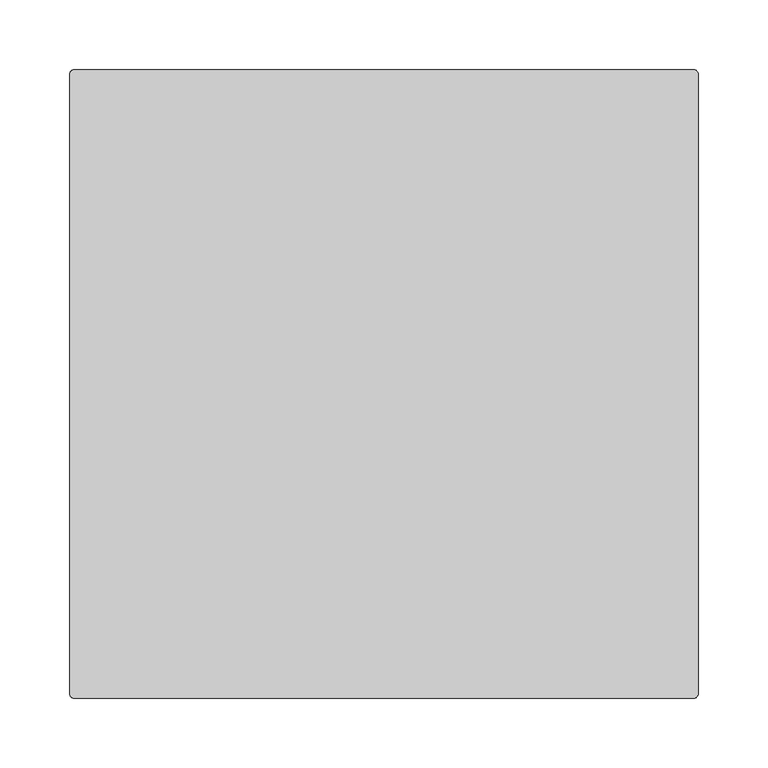
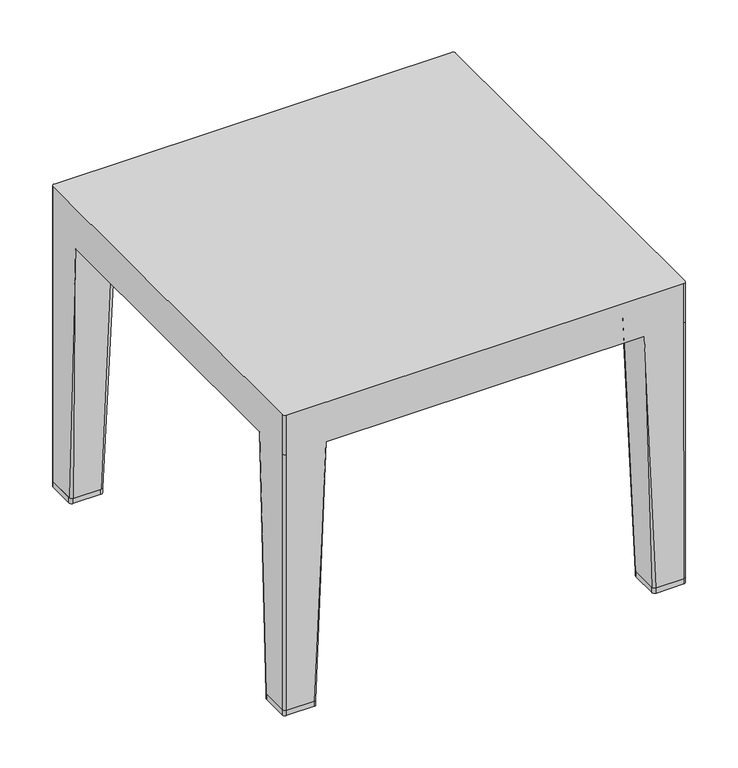
"""IFC4 building model written with IfcOpenShell, lengths in millimetres: furniture geometry."""

from ifc_helpers import new_model, si_unit, point, frame, frame_2d, origin, origin_with_axes, place, context, project, spatial, polyline, circle_curve, trimmed, segment, composite_curve, outline, extrude, source, transform, mapped, element, save
from ifc_brep_helpers import plane_surface, cylinder_surface, spline_surface, advanced_brep


def furniture_90bd503e(model_context):
    return source(origin(), model_context, "Body", "SolidModel", [
        advanced_brep(
        [(-225.425, -229.4549408, 6.3500002), (-228.6, -226.2799408, 6.3500002), (-228.6, -195.5083511, 6.3500002), (-225.4558826, -192.3642337, 6.3500002), (-194.680475, -192.3642337, 6.3500002), (-191.5466941, -195.4980146, 6.3500002), (-191.5466941, -226.2799408, 6.3500002), (-194.7216941, -229.4549408, 6.3500002), (-181.358744, -229.4549408, 308.4710938), (175.008744, -229.4549408, 308.4710938), (188.3716941, -229.4549408, 6.3500002), (219.075, -229.4549408, 6.3500002), (219.0370244, -229.4549408, 308.4710938), (219.0370244, -229.4549408, 355.6), (-225.425, -229.4549408, 355.6), (-225.425, -229.4549408, 308.4710938), (-181.358744, -188.5262836, 308.4710938), (-228.6, -182.1762836, 308.4710938), (-187.708744, -182.1762836, 308.4710938), (-228.6, -226.2799408, 308.4710938), (-228.6, -226.2799408, 355.6), (-228.6, 218.2032167, 355.6), (-228.6, 218.2032167, 308.4710938), (-228.6, 218.2200592, 6.3500002), (-228.6, 187.4484695, 6.3500002), (-228.6, 174.116402, 308.4710938), (185.1966941, -226.2799408, 6.3500002), (185.1966941, -195.4980146, 6.3500002), (188.330475, -192.3642337, 6.3500002), (219.1058826, -192.3642337, 6.3500002), (222.25, -195.5083511, 6.3500002), (222.25, -226.2799408, 6.3500002), (175.008744, -188.5262836, 308.4710938), (181.358744, -182.1762836, 308.4710938), (222.25, -182.1762836, 308.4710938), (222.25, 174.116402, 308.4710938), (222.25, 187.4484695, 6.3500002), (222.25, 218.2200592, 6.3500002), (222.25, 218.1743066, 308.4710938), (222.25, 218.1743066, 355.6), (222.25, -226.2419652, 355.6), (222.25, -226.2419652, 308.4710938), (219.075, 221.3950592, 6.3500002), (219.1058826, 184.3043521, 6.3500002), (188.330475, 184.3043521, 6.3500002), (185.1966941, 187.438133, 6.3500002), (185.1966941, 218.2200592, 6.3500002), (188.3716941, 221.3950592, 6.3500002), (175.008744, 221.3950592, 308.4710938), (-181.358744, 221.3950592, 308.4710938), (-194.7216941, 221.3950592, 6.3500002), (-225.425, 221.3950592, 6.3500002), (-225.4081575, 221.3950592, 308.4710938), (-225.4081575, 221.3950592, 355.6), (219.0292474, 221.3950592, 355.6), (219.0292474, 221.3950592, 308.4710938), (175.008744, 180.466402, 308.4710938), (181.358744, 174.116402, 308.4710938), (-191.5466941, 218.2200592, 6.3500002), (-191.5466941, 187.438133, 6.3500002), (-194.680475, 184.3043521, 6.3500002), (-225.4558826, 184.3043521, 6.3500002), (-181.358744, 180.466402, 308.4710938), (-187.708744, 174.116402, 308.4710938)],
        [
            (0, 1, circle_curve(frame((-225.425, -226.2799408, 6.3500002), z_axis=(0.0, 0.0, -1.0), x_axis=(0.0, -1.0, 0.0)), 3.175)),
            (1, 2),
            (2, 3, circle_curve(frame((-225.4558826, -195.5083511, 6.3500002), z_axis=(0.0, 0.0, -1.0), x_axis=(-1.0, 0.0, 0.0)), 3.1441174)),
            (3, 4),
            (4, 5, circle_curve(frame((-194.680475, -195.4980146, 6.3500002), z_axis=(0.0, 0.0, -1.0), x_axis=(-1.0, 0.0, 0.0)), 3.1337809)),
            (5, 6),
            (6, 7, circle_curve(frame((-194.7216941, -226.2799408, 6.3500002), z_axis=(0.0, 0.0, -1.0), x_axis=(-1.0, 0.0, 0.0)), 3.175)),
            (7, 0),
            (7, 8),
            (8, 9),
            (9, 10),
            (10, 11),
            (11, 12),
            (12, 13),
            (13, 14),
            (14, 15),
            (15, 0),
            (5, 16),
            (16, 8),
            (8, 6),
            (3, 17),
            (17, 18),
            (18, 4),
            (1, 19),
            (19, 20),
            (20, 21),
            (21, 22),
            (22, 23),
            (23, 24),
            (24, 25),
            (25, 17),
            (17, 2),
            (18, 16, circle_curve(frame((-187.708744, -188.5262836, 308.4710938), z_axis=(0.0, 0.0, -1.0), x_axis=(-1.0, 0.0, 0.0)), 6.35)),
            (15, 19, circle_curve(frame((-225.425, -226.2799408, 308.4710937), z_axis=(0.0, 0.0, -1.0), x_axis=(0.0, -1.0, 0.0)), 3.175)),
            (10, 26, circle_curve(frame((188.3716941, -226.2799408, 6.3500002), z_axis=(0.0, 0.0, -1.0), x_axis=(1.0, 0.0, 0.0)), 3.175)),
            (26, 27),
            (27, 28, circle_curve(frame((188.330475, -195.4980146, 6.3500002), z_axis=(0.0, 0.0, -1.0), x_axis=(1.0, 0.0, 0.0)), 3.1337809)),
            (28, 29),
            (29, 30, circle_curve(frame((219.1058826, -195.5083511, 6.3500002), z_axis=(0.0, 0.0, -1.0), x_axis=(1.0, 0.0, 0.0)), 3.1441174)),
            (30, 31),
            (31, 11, circle_curve(frame((219.075, -226.2799408, 6.3500002), z_axis=(0.0, 0.0, -1.0), x_axis=(1.0, 0.0, 0.0)), 3.175)),
            (26, 9),
            (9, 32),
            (32, 27),
            (28, 33),
            (33, 34),
            (34, 29),
            (30, 34),
            (34, 35),
            (35, 36),
            (36, 37),
            (37, 38),
            (38, 39),
            (39, 40),
            (40, 41),
            (41, 31),
            (32, 33, circle_curve(frame((181.358744, -188.5262836, 308.4710938), z_axis=(0.0, 0.0, -1.0), x_axis=(1.0, 0.0, 0.0)), 6.35)),
            (41, 12, circle_curve(frame((219.0370244, -226.2419652, 308.4710938), z_axis=(0.0, 0.0, -1.0), x_axis=(1.0, 0.0, 0.0)), 3.2129756)),
            (42, 37, circle_curve(frame((219.075, 218.2200592, 6.3500002), z_axis=(0.0, 0.0, -1.0), x_axis=(1.0, 0.0, 0.0)), 3.175)),
            (36, 43, circle_curve(frame((219.1058826, 187.4484695, 6.3500002), z_axis=(0.0, 0.0, -1.0), x_axis=(1.0, 0.0, 0.0)), 3.1441174)),
            (43, 44),
            (44, 45, circle_curve(frame((188.330475, 187.438133, 6.3500002), z_axis=(0.0, 0.0, -1.0), x_axis=(1.0, 0.0, 0.0)), 3.1337809)),
            (45, 46),
            (46, 47, circle_curve(frame((188.3716941, 218.2200592, 6.3500002), z_axis=(0.0, 0.0, -1.0), x_axis=(1.0, 0.0, 0.0)), 3.175)),
            (47, 42),
            (47, 48),
            (48, 49),
            (49, 50),
            (50, 51),
            (51, 52),
            (52, 53),
            (53, 54),
            (54, 55),
            (55, 42),
            (45, 56),
            (56, 48),
            (48, 46),
            (43, 35),
            (35, 57),
            (57, 44),
            (57, 56, circle_curve(frame((181.358744, 180.466402, 308.4710938), z_axis=(0.0, 0.0, -1.0), x_axis=(1.0, 0.0, 0.0)), 6.35)),
            (55, 38, circle_curve(frame((219.0292474, 218.1743066, 308.4710938), z_axis=(0.0, 0.0, -1.0), x_axis=(1.0, 0.0, 0.0)), 3.2207526)),
            (50, 58, circle_curve(frame((-194.7216941, 218.2200592, 6.3500002), z_axis=(0.0, 0.0, -1.0), x_axis=(-1.0, 0.0, 0.0)), 3.175)),
            (58, 59),
            (59, 60, circle_curve(frame((-194.680475, 187.438133, 6.3500002), z_axis=(0.0, 0.0, -1.0), x_axis=(-1.0, 0.0, 0.0)), 3.1337809)),
            (60, 61),
            (61, 24, circle_curve(frame((-225.4558826, 187.4484695, 6.3500002), z_axis=(0.0, 0.0, -1.0), x_axis=(-1.0, 0.0, 0.0)), 3.1441174)),
            (23, 51, circle_curve(frame((-225.425, 218.2200592, 6.3500002), z_axis=(0.0, 0.0, -1.0), x_axis=(-1.0, 0.0, 0.0)), 3.175)),
            (58, 49),
            (49, 62),
            (62, 59),
            (60, 63),
            (63, 25),
            (25, 61),
            (62, 63, circle_curve(frame((-187.708744, 180.466402, 308.4710938), z_axis=(0.0, 0.0, -1.0), x_axis=(-1.0, 0.0, 0.0)), 6.35)),
            (22, 52, circle_curve(frame((-225.4081575, 218.2032167, 308.4710938), z_axis=(0.0, 0.0, -1.0), x_axis=(1.0, 0.0, 0.0)), 3.1918425)),
            (53, 21, circle_curve(frame((-225.4081575, 218.2032167, 355.6), z_axis=(0.0, 0.0, 1.0), x_axis=(1.0, 0.0, 0.0)), 3.1918425)),
            (20, 14, circle_curve(frame((-225.425, -226.2799408, 355.6), z_axis=(0.0, 0.0, 1.0), x_axis=(1.0, 0.0, 0.0)), 3.175)),
            (13, 40, circle_curve(frame((219.0370244, -226.2419652, 355.6), z_axis=(0.0, 0.0, 1.0), x_axis=(1.0, 0.0, 0.0)), 3.2129756)),
            (39, 54, circle_curve(frame((219.0292474, 218.1743066, 355.6), z_axis=(0.0, 0.0, 1.0), x_axis=(1.0, 0.0, 0.0)), 3.2207526)),
        ],
        [
            plane_surface(frame((-210.072055, -210.9005745, 6.3500002), z_axis=(0.0, 0.0, -1.0), x_axis=(1.0, 0.0, 0.0))),
            plane_surface(frame((-210.073347, -229.4549408, 6.3500002), z_axis=(0.0, -1.0, 0.0), x_axis=(1.0, 0.0, 0.0))),
            plane_surface(frame((-191.5466941, -210.8889777, 6.3500002), z_axis=(0.9994319176055041, 0.0, -0.03370225617647785), x_axis=(0.0, 1.0, 0.0))),
            plane_surface(frame((-210.0681788, -192.3642337, 6.3500002), z_axis=(0.0, 0.9994319176055029, -0.03370225617651564), x_axis=(-1.0, 0.0, 0.0))),
            plane_surface(frame((-228.6, -210.8941459, 6.3500002), z_axis=(-1.0, 0.0, 0.0), x_axis=(0.0, -1.0, 0.0))),
            spline_surface(2, 1, [[(-194.7216941, -229.4549408, 6.3500002), (-181.358744, -229.4549408, 308.4710938)], [(-191.5466941, -229.4549408, 6.3500002), (-181.358744, -229.4549408, 308.4710938)], [(-191.5466941, -226.2799408, 6.3500002), (-181.358744, -229.4549408, 308.4710938)]], [3, 3], [2, 2], [0.0, 1.0], [0.0, 1.0], weights=[[1.0, 1.0], [0.7071067811865476, 0.7071067811865476], [1.0, 1.0]]),
            spline_surface(2, 1, [[(-191.5466941, -195.4980146, 6.3500002), (-181.358744, -188.5262836, 308.4710938)], [(-191.5466941, -192.3642337, 6.3500002), (-181.358744, -182.1762836, 308.4710938)], [(-194.680475, -192.3642337, 6.3500002), (-187.708744, -182.1762836, 308.4710938)]], [3, 3], [2, 2], [0.0, 1.0], [0.0, 1.0], weights=[[1.0, 1.0], [0.7071067811865476, 0.7071067811865476], [1.0, 1.0]]),
            spline_surface(2, 1, [[(-225.4558826, -192.3642337, 6.3500002), (-228.6, -182.1762836, 308.4710938)], [(-228.6, -192.3642337, 6.3500002), (-228.6, -182.1762836, 308.4710938)], [(-228.6, -195.5083511, 6.3500002), (-228.6, -182.1762836, 308.4710938)]], [3, 3], [2, 2], [0.0, 1.0], [0.0, 1.0], weights=[[1.0, 1.0], [0.7071067811865476, 0.7071067811865476], [1.0, 1.0]]),
            cylinder_surface(frame((-225.425, -226.2799408, 6.3500002), z_axis=(0.0, 0.0, 1.0), x_axis=(0.0, -1.0, 0.0)), 3.175),
            plane_surface(frame((203.722055, -210.9005745, 6.3500002), z_axis=(0.0, 0.0, -1.0), x_axis=(1.0, 0.0, 0.0))),
            plane_surface(frame((185.1966941, -210.8889777, 6.3500002), z_axis=(-0.9994319176055003, 0.0, -0.033702256176587654), x_axis=(0.0, -1.0, 0.0))),
            plane_surface(frame((203.7181788, -192.3642337, 6.3500002), z_axis=(0.0, 0.9994319176055009, -0.03370225617657457), x_axis=(-1.0, 0.0, 0.0))),
            plane_surface(frame((222.25, -210.8941459, 6.3500002), z_axis=(1.0, 0.0, 0.0), x_axis=(0.0, 1.0, 0.0))),
            spline_surface(2, 1, [[(185.1966941, -226.2799408, 6.3500002), (175.008744, -229.4549408, 308.4710938)], [(185.1966941, -229.4549408, 6.3500002), (175.008744, -229.4549408, 308.4710938)], [(188.3716941, -229.4549408, 6.3500002), (175.008744, -229.4549408, 308.4710938)]], [3, 3], [2, 2], [0.0, 1.0], [0.0, 1.0], weights=[[1.0, 1.0], [0.7071067811865476, 0.7071067811865476], [1.0, 1.0]]),
            spline_surface(2, 1, [[(188.330475, -192.3642337, 6.3500002), (181.358744, -182.1762836, 308.4710938)], [(185.1966941, -192.3642337, 6.3500002), (175.008744, -182.1762836, 308.4710938)], [(185.1966941, -195.4980146, 6.3500002), (175.008744, -188.5262836, 308.4710938)]], [3, 3], [2, 2], [0.0, 1.0], [0.0, 1.0], weights=[[1.0, 1.0], [0.7071067811865476, 0.7071067811865476], [1.0, 1.0]]),
            spline_surface(2, 1, [[(222.25, -195.5083511, 6.3500002), (222.25, -182.1762836, 308.4710938)], [(222.25, -192.3642337, 6.3500002), (222.25, -182.1762836, 308.4710938)], [(219.1058826, -192.3642337, 6.3500002), (222.25, -182.1762836, 308.4710938)]], [3, 3], [2, 2], [0.0, 1.0], [0.0, 1.0], weights=[[1.0, 1.0], [0.7071067811865476, 0.7071067811865476], [1.0, 1.0]]),
            spline_surface(2, 1, [[(219.075, -229.4549408, 6.3500002), (219.0370244, -229.4549408, 308.4710938)], [(222.25, -229.4549408, 6.3500002), (222.25, -229.4549408, 308.4710938)], [(222.25, -226.2799408, 6.3500002), (222.25, -226.2419652, 308.4710938)]], [3, 3], [2, 2], [0.0, 1.0], [0.0, 1.0], weights=[[1.0, 1.0], [0.7071067811865476, 0.7071067811865476], [1.0, 1.0]]),
            plane_surface(frame((203.722055, 202.840693, 6.3500002), z_axis=(0.0, 0.0, -1.0), x_axis=(-1.0, 0.0, 0.0))),
            plane_surface(frame((203.723347, 221.3950592, 6.3500002), z_axis=(0.0, 1.0, 0.0), x_axis=(-1.0, 0.0, 0.0))),
            plane_surface(frame((185.1966941, 202.8290961, 6.3500002), z_axis=(-0.9994319176055051, 0.0, -0.033702256176446094), x_axis=(0.0, -1.0, 0.0))),
            plane_surface(frame((203.7181788, 184.3043521, 6.3500002), z_axis=(0.0, -0.9994319176055032, -0.033702256176504006), x_axis=(1.0, 0.0, 0.0))),
            spline_surface(2, 1, [[(188.3716941, 221.3950592, 6.3500002), (175.008744, 221.3950592, 308.4710938)], [(185.19669410000003, 221.39505919999996, 6.3500002), (175.008744, 221.3950592, 308.4710938)], [(185.1966941, 218.2200592, 6.3500002), (175.008744, 221.3950592, 308.4710938)]], [3, 3], [2, 2], [0.0, 1.0], [0.0, 1.0], weights=[[1.0, 1.0], [0.7071067811865507, 0.7071067811865507], [1.0, 1.0]]),
            spline_surface(2, 1, [[(185.1966941, 187.438133, 6.3500002), (175.008744, 180.466402, 308.4710938)], [(185.1966941, 184.3043521, 6.3500002), (175.008744, 174.116402, 308.4710938)], [(188.330475, 184.3043521, 6.3500002), (181.358744, 174.116402, 308.4710938)]], [3, 3], [2, 2], [0.0, 1.0], [0.0, 1.0], weights=[[1.0, 1.0], [0.7071067811865476, 0.7071067811865476], [1.0, 1.0]]),
            spline_surface(2, 1, [[(219.1058826, 184.3043521, 6.3500002), (222.25, 174.116402, 308.4710938)], [(222.25, 184.3043521, 6.3500002), (222.25, 174.116402, 308.4710938)], [(222.25, 187.4484695, 6.3500002), (222.25, 174.116402, 308.4710938)]], [3, 3], [2, 2], [0.0, 1.0], [0.0, 1.0], weights=[[1.0, 1.0], [0.7071067811865476, 0.7071067811865476], [1.0, 1.0]]),
            spline_surface(2, 1, [[(222.25, 218.2200592, 6.3500002), (222.25, 218.1743066, 308.4710938)], [(222.25, 221.39505920000002, 6.3500002), (222.25, 221.3950592, 308.4710938)], [(219.075, 221.3950592, 6.3500002), (219.0292474, 221.3950592, 308.4710938)]], [3, 3], [2, 2], [0.0, 1.0], [0.0, 1.0], weights=[[1.0, 1.0], [0.7071067811865476, 0.7071067811865476], [1.0, 1.0]]),
            plane_surface(frame((-210.072055, 202.840693, 6.3500002), z_axis=(0.0, 0.0, -1.0), x_axis=(-1.0, 0.0, 0.0))),
            plane_surface(frame((-191.5466941, 202.8290961, 6.3500002), z_axis=(0.9994319176055029, 0.0, -0.033702256176512735), x_axis=(0.0, 1.0, 0.0))),
            plane_surface(frame((-210.0681788, 184.3043521, 6.3500002), z_axis=(0.0, -0.9994319176055011, -0.033702256176569086), x_axis=(1.0, 0.0, 0.0))),
            spline_surface(2, 1, [[(-191.5466941, 218.2200592, 6.3500002), (-181.358744, 221.3950592, 308.4710938)], [(-191.54669409999997, 221.39505920000002, 6.3500002), (-181.358744, 221.3950592, 308.4710938)], [(-194.7216941, 221.3950592, 6.3500002), (-181.358744, 221.3950592, 308.4710938)]], [3, 3], [2, 2], [0.0, 1.0], [0.0, 1.0], weights=[[1.0, 1.0], [0.7071067811865444, 0.7071067811865444], [1.0, 1.0]]),
            spline_surface(2, 1, [[(-194.680475, 184.3043521, 6.3500002), (-187.708744, 174.116402, 308.4710938)], [(-191.5466941, 184.3043521, 6.3500002), (-181.358744, 174.116402, 308.4710938)], [(-191.5466941, 187.438133, 6.3500002), (-181.358744, 180.466402, 308.4710938)]], [3, 3], [2, 2], [0.0, 1.0], [0.0, 1.0], weights=[[1.0, 1.0], [0.7071067811865476, 0.7071067811865476], [1.0, 1.0]]),
            spline_surface(2, 1, [[(-228.6, 187.4484695, 6.3500002), (-228.6, 174.116402, 308.4710938)], [(-228.6, 184.3043521, 6.3500002), (-228.6, 174.116402, 308.4710938)], [(-225.4558826, 184.3043521, 6.3500002), (-228.6, 174.116402, 308.4710938)]], [3, 3], [2, 2], [0.0, 1.0], [0.0, 1.0], weights=[[1.0, 1.0], [0.7071067811865476, 0.7071067811865476], [1.0, 1.0]]),
            spline_surface(2, 1, [[(-225.425, 221.3950592, 6.3500002), (-225.4081575, 221.3950592, 308.4710938)], [(-228.6, 221.39505919999996, 6.3500002), (-228.59999999999997, 221.39505919999996, 308.4710938)], [(-228.6, 218.2200592, 6.3500002), (-228.6, 218.2032167, 308.4710938)]], [3, 3], [2, 2], [0.0, 1.0], [0.0, 1.0], weights=[[1.0, 1.0], [0.7071067811865507, 0.7071067811865507], [1.0, 1.0]]),
            plane_surface(frame((-225.4081575, 221.3950592, 355.6), z_axis=(0.0, 0.0, 1.0), x_axis=(-1.0, 0.0, 0.0))),
            plane_surface(frame((-225.4081575, 221.3950592, 308.4710938), z_axis=(0.0, 0.0, -1.0), x_axis=(1.0, 0.0, 0.0))),
            cylinder_surface(frame((-225.4081575, 218.2032167, 308.4710938), z_axis=(0.0, 0.0, 1.0), x_axis=(1.0, 0.0, 0.0)), 3.1918425),
            cylinder_surface(frame((-225.425, -226.2799408, 308.4710938), z_axis=(0.0, 0.0, 1.0), x_axis=(1.0, 0.0, 0.0)), 3.175),
            cylinder_surface(frame((219.0370244, -226.2419652, 308.4710938), z_axis=(0.0, 0.0, 1.0), x_axis=(1.0, 0.0, 0.0)), 3.2129756),
            cylinder_surface(frame((219.0292474, 218.1743066, 308.4710938), z_axis=(0.0, 0.0, 1.0), x_axis=(1.0, 0.0, 0.0)), 3.2207526),
        ],
        [
            (0, [[1, 2, 3, 4, 5, 6, 7, 8]]),
            (1, [[-8, 9, 10, 11, 12, 13, 14, 15, 16, 17]]),
            (2, [[-6, 18, 19, 20]]),
            (3, [[-4, 21, 22, 23]]),
            (4, [[-2, 24, 25, 26, 27, 28, 29, 30, 31, 32]]),
            (5, [[-7, -20, -9]]),
            (6, [[-5, -23, 33, -18]]),
            (7, [[-3, -32, -21]]),
            (8, [[-1, -17, 34, -24]]),
            (9, [[-12, 35, 36, 37, 38, 39, 40, 41]]),
            (10, [[-36, 42, 43, 44]]),
            (11, [[-38, 45, 46, 47]]),
            (12, [[-40, 48, 49, 50, 51, 52, 53, 54, 55, 56]]),
            (13, [[-35, -11, -42]]),
            (14, [[-37, -44, 57, -45]]),
            (15, [[-39, -47, -48]]),
            (16, [[-41, -56, 58, -13]]),
            (17, [[59, -51, 60, 61, 62, 63, 64, 65]]),
            (18, [[-65, 66, 67, 68, 69, 70, 71, 72, 73, 74]]),
            (19, [[-63, 75, 76, 77]]),
            (20, [[-61, 78, 79, 80]]),
            (21, [[-64, -77, -66]]),
            (22, [[-62, -80, 81, -75]]),
            (23, [[-60, -50, -78]]),
            (24, [[-59, -74, 82, -52]]),
            (25, [[-69, 83, 84, 85, 86, 87, -29, 88]]),
            (26, [[-84, 89, 90, 91]]),
            (27, [[-86, 92, 93, 94]]),
            (28, [[-83, -68, -89]]),
            (29, [[-85, -91, 95, -92]]),
            (30, [[-87, -94, -30]]),
            (31, [[-88, -28, 96, -70]]),
            (32, [[-72, 97, -26, 98, -15, 99, -54, 100]]),
            (33, [[-10, -19, -33, -22, -31, -93, -95, -90, -67, -76, -81, -79, -49, -46, -57, -43]]),
            (34, [[-97, -71, -96, -27]]),
            (35, [[-98, -25, -34, -16]]),
            (36, [[-99, -14, -58, -55]]),
            (37, [[-100, -53, -82, -73]]),
        ],
    ),
        extrude(outline(composite_curve([segment(trimmed(circle_curve(frame_2d((-225.425, -226.2799408)), 3.175), [point((-225.425, -229.4549408))], [point((-228.6, -226.2799408))], False, "CARTESIAN"), True, "CONTINUOUS"), segment(polyline([(-228.6, -226.2799408), (-228.6, -195.5442945)]), True, "CONTINUOUS"), segment(trimmed(circle_curve(frame_2d((-225.4199392, -195.5442945)), 3.1800608), [point((-228.6, -195.5442945))], [point((-225.4199392, -192.3642337))], False, "CARTESIAN"), True, "CONTINUOUS"), segment(polyline([(-225.4199392, -192.3642337), (-194.7571452, -192.3642337)]), True, "CONTINUOUS"), segment(trimmed(circle_curve(frame_2d((-194.7571452, -195.5746848)), 3.2104511), [point((-194.7571452, -192.3642337))], [point((-191.5466941, -195.5746848))], False, "CARTESIAN"), True, "CONTINUOUS"), segment(polyline([(-191.5466941, -195.5746848), (-191.5466941, -226.2799408)]), True, "CONTINUOUS"), segment(trimmed(circle_curve(frame_2d((-194.7216941, -226.2799408)), 3.175), [point((-191.5466941, -226.2799408))], [point((-194.7216941, -229.4549408))], False, "CARTESIAN"), True, "CONTINUOUS"), segment(polyline([(-194.7216941, -229.4549408), (-225.425, -229.4549408)]), True, "CONTINUOUS")], self_intersect=False)), origin_with_axes(), (0.0, 0.0, 1.0), 6.3500002),
        extrude(outline(composite_curve([segment(polyline([(219.075, -229.4549408), (188.3716941, -229.4549408)]), True, "CONTINUOUS"), segment(trimmed(circle_curve(frame_2d((188.3716941, -226.2799408)), 3.175), [point((188.3716941, -229.4549408))], [point((185.1966941, -226.2799408))], False, "CARTESIAN"), True, "CONTINUOUS"), segment(polyline([(185.1966941, -226.2799408), (185.1966941, -195.5746848)]), True, "CONTINUOUS"), segment(trimmed(circle_curve(frame_2d((188.4071452, -195.5746848)), 3.2104511), [point((185.1966941, -195.5746848))], [point((188.4071452, -192.3642337))], False, "CARTESIAN"), True, "CONTINUOUS"), segment(polyline([(188.4071452, -192.3642337), (219.0699392, -192.3642337)]), True, "CONTINUOUS"), segment(trimmed(circle_curve(frame_2d((219.0699392, -195.5442945)), 3.1800608), [point((219.0699392, -192.3642337))], [point((222.25, -195.5442945))], False, "CARTESIAN"), True, "CONTINUOUS"), segment(polyline([(222.25, -195.5442945), (222.25, -226.2799408)]), True, "CONTINUOUS"), segment(trimmed(circle_curve(frame_2d((219.075, -226.2799408)), 3.175), [point((222.25, -226.2799408))], [point((219.075, -229.4549408))], False, "CARTESIAN"), True, "CONTINUOUS")], self_intersect=False)), origin_with_axes(), (0.0, 0.0, 1.0), 6.3500002),
        extrude(outline(composite_curve([segment(polyline([(-225.425, 221.3950592), (-194.7216941, 221.3950592)]), True, "CONTINUOUS"), segment(trimmed(circle_curve(frame_2d((-194.7216941, 218.2200592)), 3.175), [point((-194.7216941, 221.3950592))], [point((-191.5466941, 218.2200592))], False, "CARTESIAN"), True, "CONTINUOUS"), segment(polyline([(-191.5466941, 218.2200592), (-191.5466941, 187.6430135)]), True, "CONTINUOUS"), segment(trimmed(circle_curve(frame_2d((-194.7571452, 187.6430135)), 3.2104511), [point((-191.5466941, 187.6430135))], [point((-194.7571452, 184.4325624))], False, "CARTESIAN"), True, "CONTINUOUS"), segment(polyline([(-194.7571452, 184.4325624), (-225.4199392, 184.4325624)]), True, "CONTINUOUS"), segment(trimmed(circle_curve(frame_2d((-225.4199392, 187.6126232)), 3.1800608), [point((-225.4199392, 184.4325624))], [point((-228.6, 187.6126232))], False, "CARTESIAN"), True, "CONTINUOUS"), segment(polyline([(-228.6, 187.6126232), (-228.6, 218.2200592)]), True, "CONTINUOUS"), segment(trimmed(circle_curve(frame_2d((-225.425, 218.2200592)), 3.175), [point((-228.6, 218.2200592))], [point((-225.425, 221.3950592))], False, "CARTESIAN"), True, "CONTINUOUS")], self_intersect=False)), origin_with_axes(), (0.0, 0.0, 1.0), 6.3500002),
        extrude(outline(composite_curve([segment(trimmed(circle_curve(frame_2d((219.075, 218.2200592)), 3.175), [point((219.075, 221.3950592))], [point((222.25, 218.2200592))], False, "CARTESIAN"), True, "CONTINUOUS"), segment(polyline([(222.25, 218.2200592), (222.25, 187.6126232)]), True, "CONTINUOUS"), segment(trimmed(circle_curve(frame_2d((219.0699392, 187.6126232)), 3.1800608), [point((222.25, 187.6126232))], [point((219.0699392, 184.4325624))], False, "CARTESIAN"), True, "CONTINUOUS"), segment(polyline([(219.0699392, 184.4325624), (188.4071452, 184.4325624)]), True, "CONTINUOUS"), segment(trimmed(circle_curve(frame_2d((188.4071452, 187.6430135)), 3.2104511), [point((188.4071452, 184.4325624))], [point((185.1966941, 187.6430135))], False, "CARTESIAN"), True, "CONTINUOUS"), segment(polyline([(185.1966941, 187.6430135), (185.1966941, 218.2200592)]), True, "CONTINUOUS"), segment(trimmed(circle_curve(frame_2d((188.3716941, 218.2200592)), 3.175), [point((185.1966941, 218.2200592))], [point((188.3716941, 221.3950592))], False, "CARTESIAN"), True, "CONTINUOUS"), segment(polyline([(188.3716941, 221.3950592), (219.075, 221.3950592)]), True, "CONTINUOUS")], self_intersect=False)), origin_with_axes(), (0.0, 0.0, 1.0), 6.3500002),
    ])


if __name__ == "__main__":
    model = new_model("IFC4")
    model_context = context("Model", 3, world=origin())
    ifc_project = project(units=[si_unit("LENGTHUNIT", "METRE", prefix="MILLI")], contexts=[model_context])
    site = spatial("IfcSite", under=ifc_project)
    building = spatial("IfcBuilding", under=site)
    placement = place(None, origin())
    furniture_shape = furniture_90bd503e(model_context)
    element("IfcFurniture", 1, at=placement, inside=building, context=model_context, shape_type="MappedRepresentation", body=[
        mapped(furniture_shape, transform((0.0, 0.0, 0.0), x_axis=(1.0, 0.0, 0.0), y_axis=(0.0, 1.0, 0.0), z_axis=(0.0, 0.0, 1.0))),
    ])
    save(model, "model.ifc")
